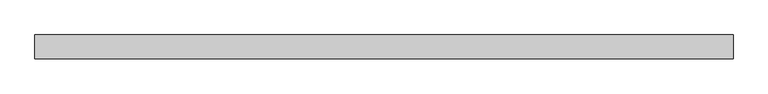
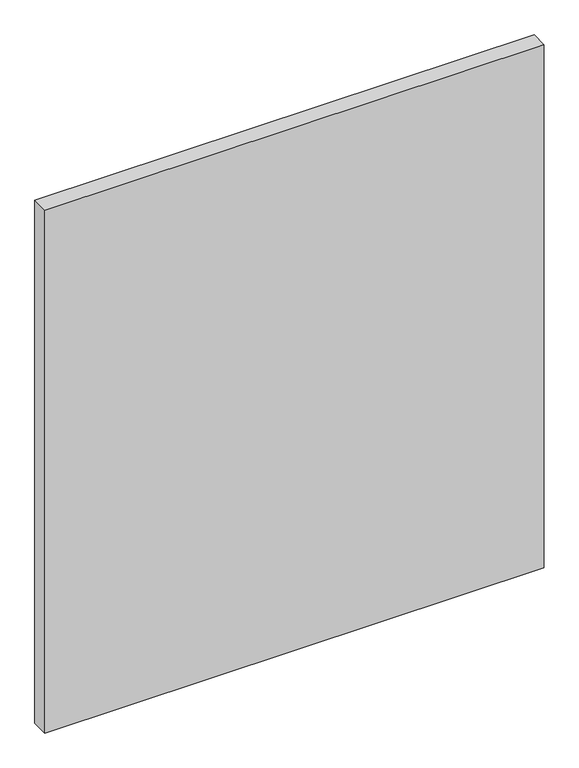
"""IFC4 building model written with IfcOpenShell, lengths in millimetres: plate geometry."""

from ifc_helpers import new_model, si_unit, origin, origin_with_axes, place, context, project, spatial, polyline, outline, extrude, source, transform, mapped, element, save


def plate_4ca0c3cd(model_context):
    return source(origin(), model_context, "Body", "SweptSolid", [
        extrude(outline(polyline([(516.7291667, -17.5), (-516.7291667, -17.5), (-516.7291667, 17.5), (516.7291667, 17.5), (516.7291667, -17.5)])), origin_with_axes(), (0.0, 0.0, 1.0), 1143.8125),
    ])


if __name__ == "__main__":
    model = new_model("IFC4")
    model_context = context("Model", 3, world=origin())
    ifc_project = project(units=[si_unit("LENGTHUNIT", "METRE", prefix="MILLI")], contexts=[model_context])
    site = spatial("IfcSite", under=ifc_project)
    building = spatial("IfcBuilding", under=site)
    placement = place(None, origin())
    plate_shape = plate_4ca0c3cd(model_context)
    element("IfcPlate", 1, at=placement, inside=building, context=model_context, shape_type="MappedRepresentation", body=[
        mapped(plate_shape, transform((0.0, 0.0, 0.0), x_axis=(1.0, 0.0, 0.0), y_axis=(0.0, 1.0, 0.0), z_axis=(0.0, 0.0, 1.0))),
    ])
    save(model, "model.ifc")
